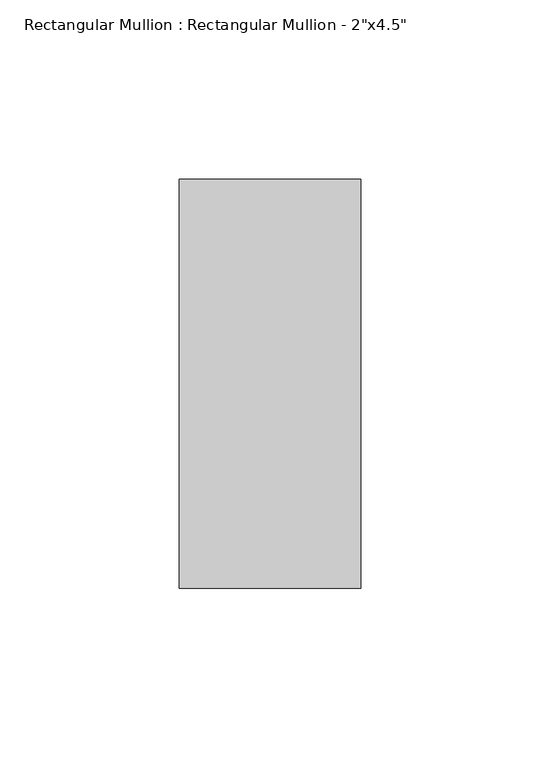
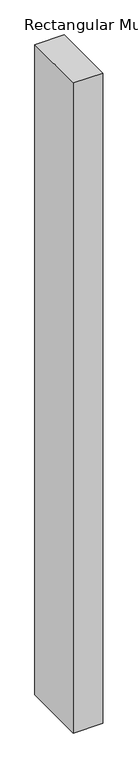
"""IFC4 building model written with IfcOpenShell, lengths in millimetres: member geometry."""

from ifc_helpers import new_model, si_unit, frame, origin, place, context, project, spatial, polyline, outline, extrude, source, transform, mapped, element, save


def member_052c8786(model_context):
    return source(origin(), model_context, "Body", "SweptSolid", [
        extrude(outline(polyline([(0.0, 57.15), (0.0, -57.15), (-50.8, -57.15), (-50.8, 57.15), (0.0, 57.15)])), frame((0.0, 0.0, -1181.1), z_axis=(0.0, 0.0, 1.0), x_axis=(1.0, 0.0, 0.0)), (0.0, 0.0, 1.0), 1181.1),
    ])


if __name__ == "__main__":
    model = new_model("IFC4")
    model_context = context("Model", 3, world=origin())
    ifc_project = project(units=[si_unit("LENGTHUNIT", "METRE", prefix="MILLI")], contexts=[model_context])
    site = spatial("IfcSite", under=ifc_project)
    building = spatial("IfcBuilding", under=site)
    placement = place(None, origin())
    member_shape = member_052c8786(model_context)
    element("IfcMember", 1, ObjectType="Rectangular Mullion : Rectangular Mullion - 2\"x4.5\"", at=placement, inside=building, context=model_context, shape_type="MappedRepresentation", body=[
        mapped(member_shape, transform((0.0, 0.0, 0.0), x_axis=(1.0, 0.0, 0.0), y_axis=(0.0, 1.0, 0.0), z_axis=(0.0, 0.0, 1.0))),
    ])
    save(model, "model.ifc")
